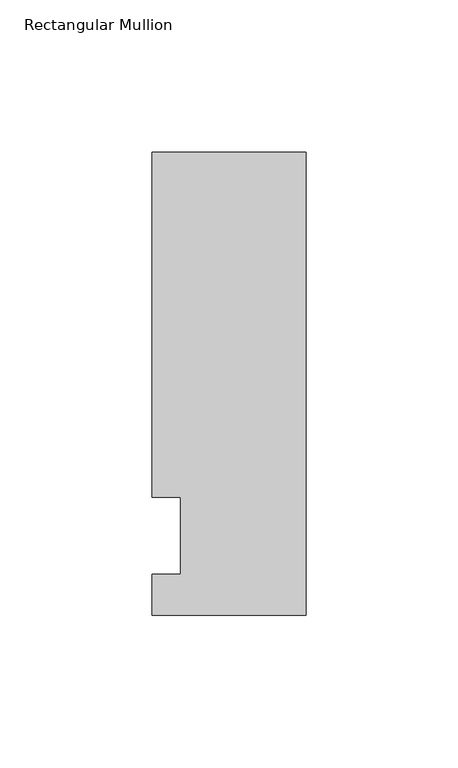
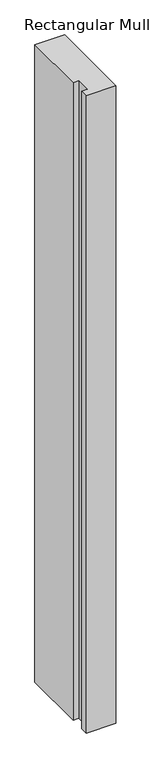
"""IFC4 building model written with IfcOpenShell, lengths in millimetres: member geometry, Rectangular Mullion."""

from ifc_helpers import new_model, si_unit, frame, origin, place, context, project, spatial, polyline, outline, extrude, source, transform, mapped, element, save


def rectangular_mullion_15423b49(model_context):
    return source(origin(), model_context, "Body", "SweptSolid", [
        extrude(outline(polyline([(-50.8, -26.19375), (-50.8, -12.7), (-41.275, -12.7), (-41.275, 12.7), (-50.8, 12.7), (-50.8, 126.20625), (0.0, 126.20625), (0.0, -26.19375), (-50.8, -26.19375)])), frame((0.0, 0.0, -1155.7), z_axis=(0.0, 0.0, 1.0), x_axis=(1.0, 0.0, 0.0)), (0.0, 0.0, 1.0), 1155.6923531),
    ])


if __name__ == "__main__":
    model = new_model("IFC4")
    model_context = context("Model", 3, world=origin())
    ifc_project = project(units=[si_unit("LENGTHUNIT", "METRE", prefix="MILLI")], contexts=[model_context])
    site = spatial("IfcSite", under=ifc_project)
    building = spatial("IfcBuilding", under=site)
    placement = place(None, origin())
    rectangular_mullion_shape = rectangular_mullion_15423b49(model_context)
    element("IfcMember", 1, ObjectType="Rectangular Mullion", at=placement, inside=building, context=model_context, shape_type="MappedRepresentation", body=[
        mapped(rectangular_mullion_shape, transform((0.0, 0.0, 0.0), x_axis=(1.0, 0.0, 0.0), y_axis=(0.0, 1.0, 0.0), z_axis=(0.0, 0.0, 1.0))),
    ])
    save(model, "model.ifc")
